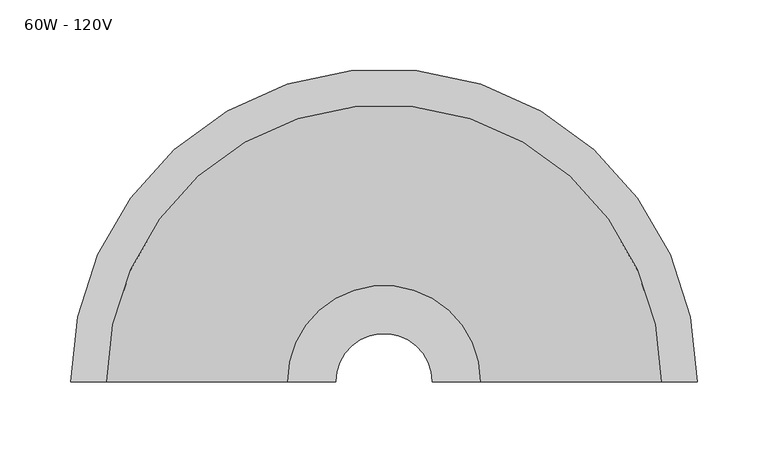
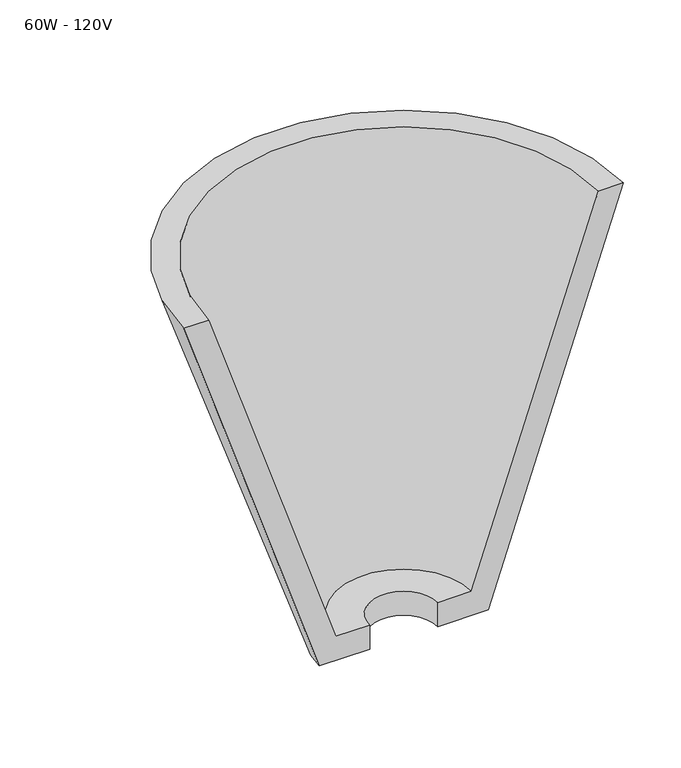
"""IFC4 building model written with IfcOpenShell, lengths in millimetres: light fixture geometry, 60W - 120V."""

import ifcopenshell
import ifcopenshell.guid

model = None  # the IFC model being written
_history = None  # IfcOwnerHistory: only IFC2X3 demands one
_inside = {}  # id of a spatial element -> (the spatial element, [elements in it])
_under = {}  # id of a project, library or spatial element -> (it, [spatial elements below it])
_declared = {}  # id of a project -> (the project, [libraries it declares])
_typed = {}  # id of a type object -> (the type object, [elements of that type])
_made_of = {}  # id of a material, layer set ... -> (it, [elements and type objects made of it])


def new_model(schema):
    """Start an empty IFC model of exactly this schema.

    Asked for "IFC4X3", IfcOpenShell would pick the latest addendum, in which some entities
    have other attributes; the version numbers below select the first issue.
    IFC2X3 requires an IfcOwnerHistory on every rooted entity: one is made here for all.
    """
    global model, _history
    if schema == "IFC4X3":
        model = ifcopenshell.file(schema_version=(4, 3, 0, 0))
    else:
        model = ifcopenshell.file(schema=schema)
    _inside.clear()
    _under.clear()
    _declared.clear()
    _typed.clear()
    _made_of.clear()
    _history = None
    if model.schema == "IFC2X3":
        org = make("IfcOrganization", Name="unknown")
        user = make(
            "IfcPersonAndOrganization",
            ThePerson=make("IfcPerson", FamilyName="unknown"),
            TheOrganization=org,
        )
        app = make(
            "IfcApplication",
            ApplicationDeveloper=org,
            Version="unknown",
            ApplicationFullName="unknown",
            ApplicationIdentifier="unknown",
        )
        _history = make(
            "IfcOwnerHistory",
            OwningUser=user,
            OwningApplication=app,
            ChangeAction="ADDED",
            CreationDate=0,
        )
    return model


def make(cls, **values):
    """One entity of the class cls with the attributes given. An attribute that is None is left unset."""
    return model.create_entity(
        cls, **{name: value for name, value in values.items() if value is not None}
    )


def rooted(cls, **values):
    """An entity with a GlobalId (a new one), such as an element, a storey or a relation."""
    return make(cls, GlobalId=ifcopenshell.guid.new(), OwnerHistory=_history, **values)


def si_unit(unit_type, name, prefix=None):
    """IfcSIUnit, for example si_unit("LENGTHUNIT", "METRE", prefix="MILLI")."""
    return make("IfcSIUnit", UnitType=unit_type, Prefix=prefix, Name=name)


def assignment(units):
    """IfcUnitAssignment: the units of a project."""
    return None if units is None else make("IfcUnitAssignment", Units=units)


def point(xyz):
    """IfcCartesianPoint."""
    return None if xyz is None else make("IfcCartesianPoint", Coordinates=xyz)


def direction(xyz):
    """IfcDirection."""
    return None if xyz is None else make("IfcDirection", DirectionRatios=xyz)


def frame(location, z_axis=None, x_axis=None):
    """IfcAxis2Placement3D, a coordinate frame: its origin and axes. An axis left out is left unset."""
    return make(
        "IfcAxis2Placement3D",
        Location=point(location),
        Axis=direction(z_axis),
        RefDirection=direction(x_axis),
    )


def origin():
    """The frame at (0, 0, 0) with its axes left unset."""
    return frame((0.0, 0.0, 0.0))


def place(relative_to, where):
    """IfcLocalPlacement: puts the frame where relative to a parent placement (None: the world)."""
    return make(
        "IfcLocalPlacement", PlacementRelTo=relative_to, RelativePlacement=where
    )


def context(
    kind, dimensions, precision=None, world=None, true_north=None, identifier=None
):
    """IfcGeometricRepresentationContext, for example the 3D "Model" context."""
    return make(
        "IfcGeometricRepresentationContext",
        ContextIdentifier=identifier,
        ContextType=kind,
        CoordinateSpaceDimension=dimensions,
        Precision=precision,
        WorldCoordinateSystem=world,
        TrueNorth=true_north,
    )


def project(units=None, contexts=None):
    """IfcProject with its units and contexts."""
    return rooted(
        "IfcProject",
        Name="project",
        RepresentationContexts=contexts,
        UnitsInContext=assignment(units),
    )


def spatial(cls, under=None, at=None, **own):
    """A site, building, storey or space (cls), placed at a placement, below another one or the project."""
    s = rooted(cls, ObjectPlacement=at, **own)
    if under is not None:
        _under.setdefault(under.id(), (under, []))[1].append(s)
    return s


def polyline(points):
    """IfcPolyline through the points."""
    return make("IfcPolyline", Points=[point(p) for p in points])


def circle_curve(where, radius):
    """IfcCircle in the frame where."""
    return make("IfcCircle", Position=where, Radius=radius)


def shape(context_of_items, identifier, shape_type, items):
    """IfcShapeRepresentation: the items that make up one representation, for example the "Body"."""
    return make(
        "IfcShapeRepresentation",
        ContextOfItems=context_of_items,
        RepresentationIdentifier=identifier,
        RepresentationType=shape_type,
        Items=items,
    )


def source(mapping_origin, context_of_items, identifier, shape_type, items):
    """IfcRepresentationMap: a shape defined once, which mapped items show again and again."""
    return make(
        "IfcRepresentationMap",
        MappingOrigin=mapping_origin,
        MappedRepresentation=shape(context_of_items, identifier, shape_type, items),
    )


def transform(
    local_origin,
    x_axis=None,
    y_axis=None,
    z_axis=None,
    scale=None,
    scale2=None,
    scale3=None,
    uniform=True,
):
    """IfcCartesianTransformationOperator3D, or its non-uniform kind. x_axis, y_axis, z_axis: its Axis1, 2, 3."""
    if uniform:
        return make(
            "IfcCartesianTransformationOperator3D",
            Axis1=direction(x_axis),
            Axis2=direction(y_axis),
            LocalOrigin=point(local_origin),
            Scale=scale,
            Axis3=direction(z_axis),
        )
    return make(
        "IfcCartesianTransformationOperator3DnonUniform",
        Axis1=direction(x_axis),
        Axis2=direction(y_axis),
        LocalOrigin=point(local_origin),
        Scale=scale,
        Axis3=direction(z_axis),
        Scale2=scale2,
        Scale3=scale3,
    )


def mapped(mapping_source, mapping_target):
    """IfcMappedItem: shows the shape of a source again, moved by a transform."""
    return make(
        "IfcMappedItem", MappingSource=mapping_source, MappingTarget=mapping_target
    )


def made_of(thing, what):
    """Note that an element or type object is made of a material, layer set ...; save() writes the relation."""
    if what is not None:
        _made_of.setdefault(what.id(), (what, []))[1].append(thing)
    return thing


def element(
    cls,
    number,
    at=None,
    inside=None,
    cuts=None,
    type_object=None,
    material=None,
    context=None,
    identifier="Body",
    shape_type=None,
    held_by="IfcProductDefinitionShape",
    body=None,
    shapes=None,
    **own,
):
    """One element of the class cls, such as IfcWall. Its Tag is "e" and its number.

    at: its placement. inside: the storey or other place that contains it. cuts: it is an
    opening in that element (IfcRelVoidsElement). A single representation is given by context,
    identifier, shape_type and body (its items); several are given by shapes. held_by: the class
    of the entity that holds the representations. save() writes the other relations.
    """
    e = rooted(cls, Tag="e%d" % number, ObjectPlacement=at, **own)
    if body is not None:
        shapes = [shape(context, identifier, shape_type, body)]
    if shapes is not None:
        e.Representation = make(held_by, Representations=shapes)
    if inside is not None:
        _inside.setdefault(inside.id(), (inside, []))[1].append(e)
    if cuts is not None:
        rooted(
            "IfcRelVoidsElement", RelatingBuildingElement=cuts, RelatedOpeningElement=e
        )
    if type_object is not None:
        _typed.setdefault(type_object.id(), (type_object, []))[1].append(e)
    return made_of(e, material)


def aggregate(whole, parts):
    """IfcRelAggregates: a whole, such as a stair, and the parts it consists of."""
    return rooted("IfcRelAggregates", RelatingObject=whole, RelatedObjects=parts)


def save(model, path):
    """Write the relations noted so far, then the file.

    IfcRelAggregates (storeys below a building ...), IfcRelContainedInSpatialStructure (elements
    in a storey), IfcRelDefinesByType, IfcRelAssociatesMaterial and IfcRelDeclares: one each for
    every whole, place, type object, material and project.
    """
    for whole, parts in _under.values():
        aggregate(whole, parts)
    for where, things in _inside.values():
        rooted(
            "IfcRelContainedInSpatialStructure",
            RelatedElements=things,
            RelatingStructure=where,
        )
    for kind, things in _typed.values():
        rooted("IfcRelDefinesByType", RelatedObjects=things, RelatingType=kind)
    for what, things in _made_of.values():
        rooted("IfcRelAssociatesMaterial", RelatedObjects=things, RelatingMaterial=what)
    for by, libraries in _declared.values():
        rooted("IfcRelDeclares", RelatingContext=by, RelatedDefinitions=libraries)
    model.write(path)


def plane_surface(at):
    """IfcPlane: the flat surface through the origin of the frame at, square to its z axis."""
    return make("IfcPlane", Position=at)


def revolved_surface(curve, axis_point, axis_direction):
    """IfcSurfaceOfRevolution: the curve turned about the line through axis_point along axis_direction."""
    return make(
        "IfcSurfaceOfRevolution",
        SweptCurve=make("IfcArbitraryOpenProfileDef", ProfileType="CURVE", Curve=curve),
        AxisPosition=make("IfcAxis1Placement", Location=point(axis_point), Axis=direction(axis_direction)),
    )


def advanced_brep(points, edges, surfaces, faces):
    """IfcAdvancedBrep: a solid bounded by faces that lie on surfaces and meet in shared edges.

    An edge is (start, end): straight between two places in points (the first is 0);
    or (start, end, curve); or (start, end, curve, False) where it runs against its curve.
    A face is (place in surfaces, loops), or (place, loops, False) where it looks against
    its surface's normal. A loop lists edges by number (the first is 1), with a minus sign
    where the edge is run from its end to its start. The first loop is the outer one.
    """
    corners = [point(p) for p in points]
    vertices = [make("IfcVertexPoint", VertexGeometry=c) for c in corners]
    made = []
    for start, end, *more in edges:
        made.append(
            make(
                "IfcEdgeCurve",
                EdgeStart=vertices[start],
                EdgeEnd=vertices[end],
                EdgeGeometry=more[0] if more else make("IfcPolyline", Points=[corners[start], corners[end]]),
                SameSense=more[1] if len(more) > 1 else True,
            )
        )
    hull = []
    for where, loops, *sense in faces:
        bounds = []
        for j, loop in enumerate(loops):
            ring = [make("IfcOrientedEdge", EdgeElement=made[abs(k) - 1], Orientation=k > 0) for k in loop]
            bounds.append(
                make(
                    "IfcFaceOuterBound" if j == 0 else "IfcFaceBound",
                    Bound=make("IfcEdgeLoop", EdgeList=ring),
                    Orientation=True,
                )
            )
        hull.append(make("IfcAdvancedFace", Bounds=bounds, FaceSurface=surfaces[where], SameSense=sense[0] if sense else True))
    return make("IfcAdvancedBrep", Outer=make("IfcClosedShell", CfsFaces=hull))


def light_fixture_60w_120v_97c17363(model_context):
    return source(origin(), model_context, "Body", "AdvancedBrep", [
        advanced_brep(
        [(-221.2056669, 62.0, 2103.2), (-85.0253975, 62.0, 1696.8), (-34.2253975, 62.0, 1696.8), (-34.2253975, 62.0, 1722.2), (-68.1366644, 62.0, 1722.2), (-195.8056669, 62.0, 2103.2), (221.2056669, 62.0, 2103.2), (195.8056669, 62.0, 2103.2), (68.1366644, 62.0, 1722.2), (34.2253975, 62.0, 1722.2), (34.2253975, 62.0, 1696.8), (85.0253975, 62.0, 1696.8)],
        [
            (0, 1),
            (1, 2),
            (2, 3),
            (3, 4),
            (4, 5),
            (5, 0),
            (6, 7),
            (7, 8),
            (8, 9),
            (9, 10),
            (10, 11),
            (11, 6),
            (11, 1, circle_curve(frame((0.0, 62.0, 1696.8), z_axis=(0.0, 0.0, 1.0), x_axis=(-1.0, 0.0, 0.0)), 85.0253975)),
            (0, 6, circle_curve(frame((0.0, 62.0, 2103.2), z_axis=(0.0, 0.0, -1.0), x_axis=(-1.0, 0.0, 0.0)), 221.2056669)),
            (10, 2, circle_curve(frame((0.0, 62.0, 1696.8), z_axis=(0.0, 0.0, 1.0), x_axis=(-1.0, 0.0, 0.0)), 34.2253975)),
            (9, 3, circle_curve(frame((0.0, 62.0, 1722.2), z_axis=(0.0, 0.0, 1.0), x_axis=(-1.0, 0.0, 0.0)), 34.2253975)),
            (8, 4, circle_curve(frame((0.0, 62.0, 1722.2), z_axis=(0.0, 0.0, 1.0), x_axis=(-1.0, 0.0, 0.0)), 68.1366644)),
            (7, 5, circle_curve(frame((0.0, 62.0, 2103.2), z_axis=(0.0, 0.0, 1.0), x_axis=(-1.0, 0.0, 0.0)), 195.8056669)),
        ],
        [
            plane_surface(frame((0.0, 62.0, 1936.774367), z_axis=(0.0, -1.0, 0.0), x_axis=(-1.0, 0.0, 0.0))),
            plane_surface(frame((0.0, 62.0, 1936.774367), z_axis=(0.0, -1.0, 0.0), x_axis=(1.0, 0.0, 0.0))),
            revolved_surface(polyline([(-221.2056669, 62.0, 2103.2), (-85.0253975, 62.0, 1696.8)]), (0.0, 62.0, 1936.774367), (0.0, 0.0, -1.0)),
            plane_surface(frame((0.0, 62.0, 1696.8), z_axis=(0.0, 0.0, -1.0), x_axis=(-1.0, 0.0, 0.0))),
            revolved_surface(polyline([(-34.2253975, 62.0, 1696.8), (-34.2253975, 62.0, 1722.2)]), (0.0, 62.0, 1936.774367), (0.0, 0.0, -1.0)),
            plane_surface(frame((0.0, 62.0, 1722.2), z_axis=(0.0, 0.0, 1.0), x_axis=(-1.0, 0.0, 0.0))),
            revolved_surface(polyline([(-68.1366644, 62.0, 1722.2), (-195.8056669, 62.0, 2103.2)]), (0.0, 62.0, 1936.774367), (0.0, 0.0, -1.0)),
            plane_surface(frame((0.0, 62.0, 2103.2), z_axis=(0.0, 0.0, 1.0), x_axis=(-1.0, 0.0, 0.0))),
        ],
        [
            (0, [[1, 2, 3, 4, 5, 6]]),
            (1, [[7, 8, 9, 10, 11, 12]]),
            (2, [[13, -1, 14, -12]]),
            (3, [[15, -2, -13, -11]]),
            (4, [[16, -3, -15, -10]]),
            (5, [[17, -4, -16, -9]]),
            (6, [[18, -5, -17, -8]]),
            (7, [[-14, -6, -18, -7]]),
        ],
    ),
    ])


if __name__ == "__main__":
    model = new_model("IFC4")
    model_context = context("Model", 3, world=origin())
    ifc_project = project(units=[si_unit("LENGTHUNIT", "METRE", prefix="MILLI")], contexts=[model_context])
    site = spatial("IfcSite", under=ifc_project)
    building = spatial("IfcBuilding", under=site)
    placement = place(None, origin())
    light_fixture_60w_120v_shape = light_fixture_60w_120v_97c17363(model_context)
    element("IfcLightFixture", 1, ObjectType="60W - 120V", at=placement, inside=building, context=model_context, shape_type="MappedRepresentation", body=[
        mapped(light_fixture_60w_120v_shape, transform((0.0, 0.0, 0.0), x_axis=(1.0, 0.0, 0.0), y_axis=(0.0, 1.0, 0.0), z_axis=(0.0, 0.0, 1.0))),
    ])
    save(model, "model.ifc")
